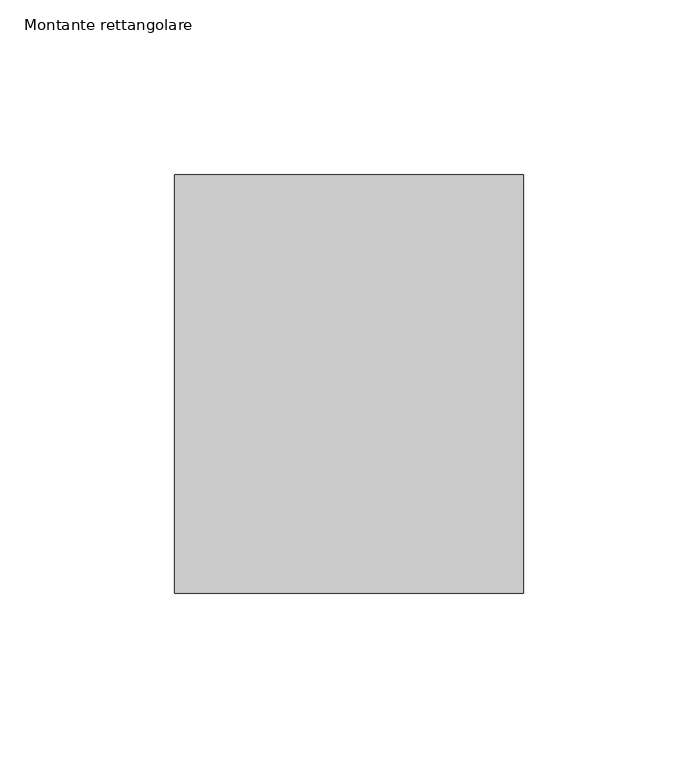
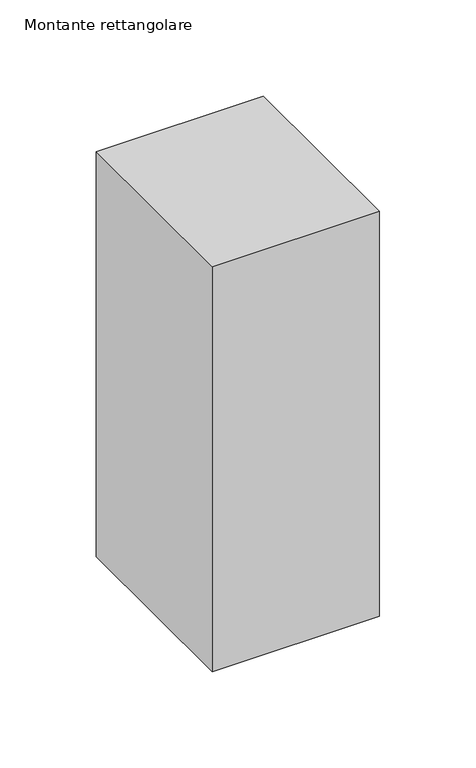
"""IFC4 building model written with IfcOpenShell, lengths in millimetres: member geometry, Montante rettangolare."""

from ifc_helpers import new_model, si_unit, frame, origin, place, context, project, spatial, polyline, outline, extrude, source, transform, mapped, element, save


def montante_rettangolare_e7d70f5a(model_context):
    return source(origin(), model_context, "Body", "SweptSolid", [
        extrude(outline(polyline([(50.0, 60.0), (50.0, -60.0), (-50.0, -60.0), (-50.0, 60.0), (50.0, 60.0)])), frame((0.0, 0.0, -256.3327574), z_axis=(0.0, 0.0, 1.0), x_axis=(1.0, 0.0, 0.0)), (0.0, 0.0, 1.0), 256.3327574),
    ])


if __name__ == "__main__":
    model = new_model("IFC4")
    model_context = context("Model", 3, world=origin())
    ifc_project = project(units=[si_unit("LENGTHUNIT", "METRE", prefix="MILLI")], contexts=[model_context])
    site = spatial("IfcSite", under=ifc_project)
    building = spatial("IfcBuilding", under=site)
    placement = place(None, origin())
    montante_rettangolare_shape = montante_rettangolare_e7d70f5a(model_context)
    element("IfcMember", 1, ObjectType="Montante rettangolare", at=placement, inside=building, context=model_context, shape_type="MappedRepresentation", body=[
        mapped(montante_rettangolare_shape, transform((0.0, 0.0, 0.0), x_axis=(1.0, 0.0, 0.0), y_axis=(0.0, 1.0, 0.0), z_axis=(0.0, 0.0, 1.0))),
    ])
    save(model, "model.ifc")
